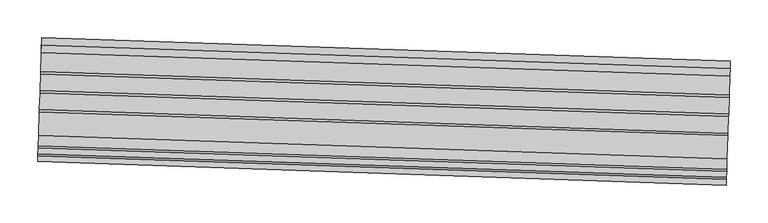
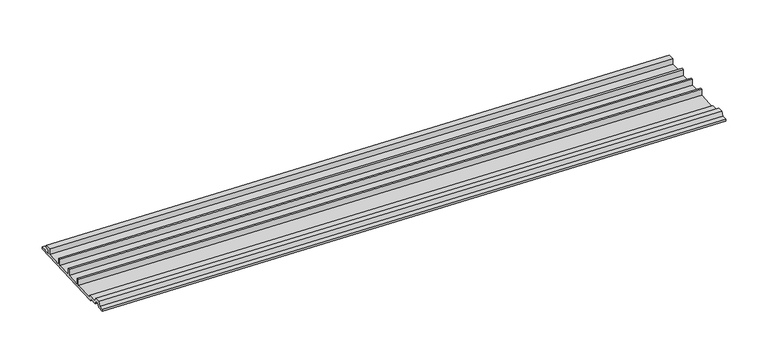
"""IFC4 building model written with IfcOpenShell, lengths in millimetres: proxy geometry."""

from ifc_helpers import new_model, si_unit, frame, origin, place, context, project, spatial, polyline, outline, extrude, source, transform, mapped, element, save


def generic_models_be869eab(model_context):
    return source(origin(), model_context, "Body", "SweptSolid", [
        extrude(outline(polyline([(0.0, 0.0), (16.66875, 0.0), (16.66875, 4.9129905), (10.31875, 4.9129905), (10.31875, 8.8104385), (19.84375, 8.8104385), (19.84375, 0.0), (45.2437501, 0.0), (45.2437501, 9.525), (48.41875, 9.525), (48.41875, 0.0), (70.64375, 0.0), (70.64375, 9.525), (73.81875, 9.525), (73.81875, 0.0), (96.04375, 0.0), (96.04375, 9.525), (99.21875, 9.525), (99.21875, 0.0), (130.175, 0.0), (130.175, 3.175), (144.0273019, 3.175), (146.8433295, 9.2139906), (154.7816705, 9.2139906), (157.5976981, 3.175), (165.1, 3.175), (165.1, 0.0), (155.575, 0.0), (153.0459232, 5.4236225), (148.5790767, 5.4236225), (146.05, 0.0), (133.35, 0.0), (133.35, -3.175), (0.0, -3.175), (0.0, 0.0)])), frame((34376.5734102, -14836.9844352, 2962.2819019), z_axis=(-0.999414947916631, 0.03420178183659302, 0.0), x_axis=(-0.03420178183659302, -0.999414947916631, 0.0)), (0.0, 0.0, 1.0), 914.4),
    ])


if __name__ == "__main__":
    model = new_model("IFC4")
    model_context = context("Model", 3, world=origin())
    ifc_project = project(units=[si_unit("LENGTHUNIT", "METRE", prefix="MILLI")], contexts=[model_context])
    site = spatial("IfcSite", under=ifc_project)
    building = spatial("IfcBuilding", under=site)
    placement = place(None, origin())
    generic_models_shape = generic_models_be869eab(model_context)
    element("IfcBuildingElementProxy", 1, Name="Generic Models", at=placement, inside=building, context=model_context, shape_type="MappedRepresentation", body=[
        mapped(generic_models_shape, transform((0.0, 0.0, 0.0), x_axis=(1.0, 0.0, 0.0), y_axis=(0.0, 1.0, 0.0), z_axis=(0.0, 0.0, 1.0))),
    ])
    save(model, "model.ifc")
